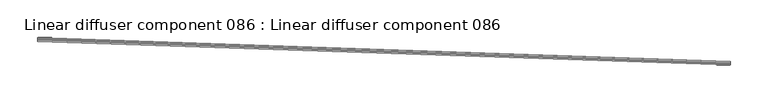
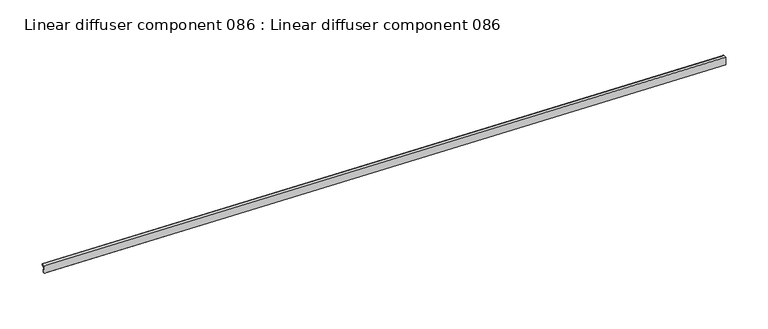
"""IFC4 building model written with IfcOpenShell, lengths in millimetres: proxy geometry, Linear diffuser component 086 : Linear diffuser component 086."""

from ifc_helpers import new_model, si_unit, origin, place, context, project, spatial, triangles, source, transform, mapped, element, save


def linear_diffuser_component_086_linear_diffuser_component_086_9955230d(model_context):
    return source(origin(), model_context, "Body", "Tessellation", [
        triangles([(34302.9526978, -16978.9345551, 3053.0011391), (33389.0875488, -16947.6608826, 3053.0011391), (33389.0596436, -16948.4678101, 3053.9377098), (34302.9247925, -16979.7426453, 3053.9377098), (33389.0503418, -16948.75849, 3055.1393806), (34302.9154907, -16980.0321625, 3055.1393806), (33389.0759216, -16947.9887695, 3057.0014763), (34302.9410706, -16979.262442, 3057.0014763), (33389.1456848, -16945.9737762, 3057.8336929), (34303.0108337, -16977.2474487, 3057.8336929), (34303.0247864, -16976.8393341, 3058.1516968), (33389.1596375, -16945.5656616, 3058.1516968), (33389.1596375, -16945.5656616, 3060.1259949), (34303.0247864, -16976.8393341, 3060.1259949), (33389.1456848, -16945.9528473, 3060.1259949), (34303.0108337, -16977.2265198, 3060.1259949), (33389.1456848, -16945.9528473, 3060.5140526), (34303.0108337, -16977.2265198, 3060.5140526), (33388.9875549, -16950.6246552, 3060.5140526), (34302.8527039, -16981.8983276, 3060.5140526), (33388.9875549, -16950.6246552, 3059.7382278), (34302.8527039, -16981.8983276, 3059.7382278), (34302.8550293, -16981.7820557, 3059.7382278), (33388.9898804, -16950.5083832, 3059.7382278), (33388.9898804, -16950.5083832, 3049.7193626), (34302.8550293, -16981.7820557, 3049.7193626), (33389.0456909, -16948.9154572, 3049.7193626), (34302.9108398, -16980.1891296, 3049.7193626), (33389.0456909, -16948.9154572, 3048.9406311), (34302.9108398, -16980.1891296, 3048.9406311), (33389.0805725, -16947.8911011, 3048.9406311), (34302.9457214, -16979.1659363, 3048.9406311), (34302.9596741, -16978.7740997, 3049.3286888), (33389.0945251, -16947.5004272, 3049.3286888), (33389.0945251, -16947.5004272, 3052.6825539), (34302.9596741, -16978.7740997, 3052.6825539), (33389.0805725, -16947.8887756, 3052.6825539), (34302.9457214, -16979.1624481, 3052.6825539)], [[4, 1, 2], [2, 3, 4], [6, 4, 5], [3, 5, 4], [8, 6, 5], [5, 7, 8], [10, 8, 9], [7, 9, 8], [14, 11, 13], [12, 13, 11], [16, 14, 13], [13, 15, 16], [18, 16, 17], [15, 17, 16], [20, 18, 19], [17, 19, 18], [22, 20, 19], [19, 21, 22], [26, 23, 25], [24, 25, 23], [28, 26, 27], [25, 27, 26], [30, 28, 27], [27, 29, 30], [32, 30, 31], [29, 31, 30], [36, 33, 34], [34, 35, 36], [38, 36, 35], [35, 37, 38], [1, 38, 37], [37, 2, 1]], closed=False),
    ])


if __name__ == "__main__":
    model = new_model("IFC4")
    model_context = context("Model", 3, world=origin())
    ifc_project = project(units=[si_unit("LENGTHUNIT", "METRE", prefix="MILLI")], contexts=[model_context])
    site = spatial("IfcSite", under=ifc_project)
    building = spatial("IfcBuilding", under=site)
    placement = place(None, origin())
    linear_diffuser_component_086_linear_diffuser_component_086_shape = linear_diffuser_component_086_linear_diffuser_component_086_9955230d(model_context)
    element("IfcBuildingElementProxy", 1, Name="Linear diffuser component 086 : Linear diffuser component 086", ObjectType="Linear diffuser component 086 : Linear diffuser component 086", at=placement, inside=building, context=model_context, shape_type="MappedRepresentation", body=[
        mapped(linear_diffuser_component_086_linear_diffuser_component_086_shape, transform((0.0, 0.0, 0.0), x_axis=(1.0, 0.0, 0.0), y_axis=(0.0, 1.0, 0.0), z_axis=(0.0, 0.0, 1.0))),
    ])
    save(model, "model.ifc")
